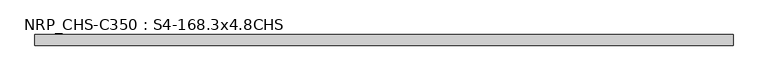
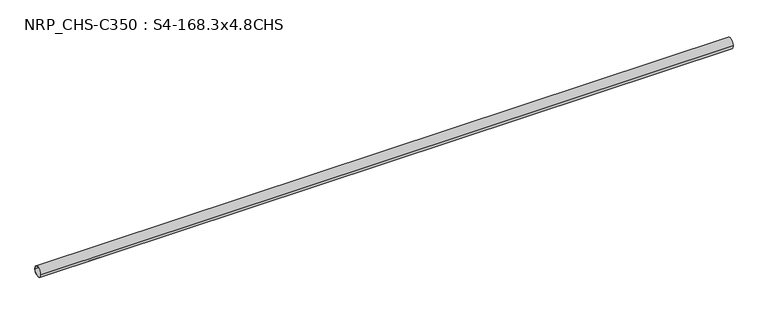
"""IFC4 building model written with IfcOpenShell, lengths in millimetres: beam geometry, NRP_CHS-C350 : S4-168.3x4.8CHS."""

from ifc_helpers import new_model, si_unit, point, frame, origin, origin_2d, place, context, project, spatial, circle_curve, trimmed, segment, composite_curve, outline, extrude, source, transform, mapped, element, save


def nrp_chs_c350_s4_168_3x4_8chs_ca27ddaf(model_context):
    return source(origin(), model_context, "Body", "SweptSolid", [
        extrude(outline(composite_curve([segment(trimmed(circle_curve(origin_2d(), 84.15), [point((84.15, 0.0))], [point((-84.15, 0.0))], False, "CARTESIAN"), True, "CONTINUOUS"), segment(trimmed(circle_curve(origin_2d(), 84.15), [point((-84.15, 0.0))], [point((84.15, 0.0))], False, "CARTESIAN"), True, "CONTINUOUS")], self_intersect=False), holes=[composite_curve([segment(trimmed(circle_curve(origin_2d(), 79.35), [point((-79.35, 0.0))], [point((79.35, 0.0))], True, "CARTESIAN"), True, "CONTINUOUS"), segment(trimmed(circle_curve(origin_2d(), 79.35), [point((79.35, 0.0))], [point((-79.35, 0.0))], True, "CARTESIAN"), True, "CONTINUOUS")], self_intersect=False)]), frame((-5554.8, 0.0, 0.0), z_axis=(1.0, 0.0, 0.0), x_axis=(0.0, 1.0, 0.0)), (0.0, 0.0, 1.0), 11063.1),
    ])


if __name__ == "__main__":
    model = new_model("IFC4")
    model_context = context("Model", 3, world=origin())
    ifc_project = project(units=[si_unit("LENGTHUNIT", "METRE", prefix="MILLI")], contexts=[model_context])
    site = spatial("IfcSite", under=ifc_project)
    building = spatial("IfcBuilding", under=site)
    placement = place(None, origin())
    nrp_chs_c350_s4_168_3x4_8chs_shape = nrp_chs_c350_s4_168_3x4_8chs_ca27ddaf(model_context)
    element("IfcBeam", 1, ObjectType="NRP_CHS-C350 : S4-168.3x4.8CHS", at=placement, inside=building, context=model_context, shape_type="MappedRepresentation", body=[
        mapped(nrp_chs_c350_s4_168_3x4_8chs_shape, transform((0.0, 0.0, 0.0), x_axis=(1.0, 0.0, 0.0), y_axis=(0.0, 1.0, 0.0), z_axis=(0.0, 0.0, 1.0))),
    ])
    save(model, "model.ifc")
